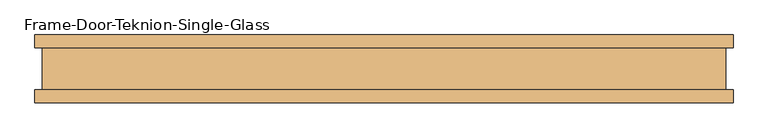
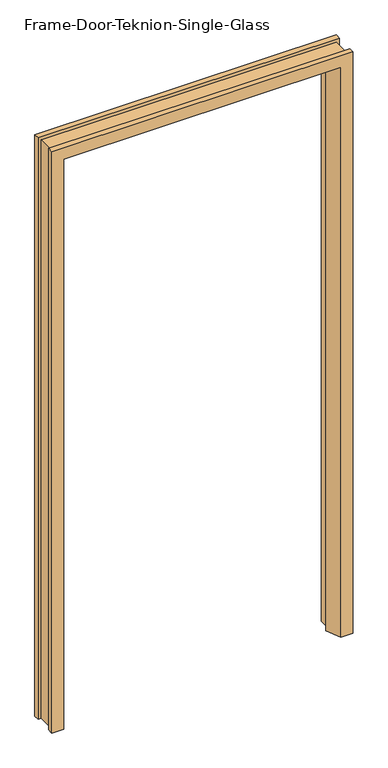
"""IFC4 building model written with IfcOpenShell, lengths in millimetres: door geometry, Frame-Door-Teknion-Single-Glass."""

from ifc_helpers import new_model, si_unit, origin, place, context, project, spatial, faceted_brep, source, transform, mapped, element, save


def frame_door_teknion_single_glass_bf3171e9(model_context):
    return source(origin(), model_context, "Body", "Brep", [
        faceted_brep([(-471.9858347, 50.8, 0.0), (-471.9858347, 0.7133435, 0.0), (-459.0634123, 0.7133435, 0.0), (-481.5105299, -50.8, 0.0), (-523.4208347, -50.8, 0.0), (-523.4208347, -31.5339997, 0.0), (-512.4152344, -31.5339997, 0.0), (-512.4152344, 31.5339997, 0.0), (-523.4208347, 31.5339997, 0.0), (-523.4208347, 50.8, 0.0), (-471.9858347, 50.8, 2082.165), (-471.9858347, 0.7133435, 2082.165), (471.9858347, 0.7133435, 2082.165), (471.9858347, 0.7133435, 0.0), (459.0634123, 0.7133435, 0.0), (459.0634123, 0.7133435, 2069.2425776), (-459.0634123, 0.7133435, 2069.2425776), (-481.5105299, -50.8, 2091.6896953), (481.5105299, -50.8, 2091.6896953), (481.5105299, -50.8, 0.0), (523.4208347, -50.8, 0.0), (523.4208347, -50.8, 2133.6), (-523.4208347, -50.8, 2133.6), (-523.4208347, -31.5339997, 2133.6), (523.4208347, -31.5339997, 2133.6), (523.4208347, -31.5339997, 0.0), (512.4152344, -31.5339997, 0.0), (512.4152344, -31.5339997, 2122.5943997), (-512.4152344, -31.5339997, 2122.5943997), (-512.4152344, 31.5339997, 2122.5943997), (512.4152344, 31.5339997, 2122.5943997), (512.4152344, 31.5339997, 0.0), (523.4208347, 31.5339997, 0.0), (523.4208347, 31.5339997, 2133.6), (-523.4208347, 31.5339997, 2133.6), (-523.4208347, 50.8, 2133.6), (523.4208347, 50.8, 2133.6), (523.4208347, 50.8, 0.0), (471.9858347, 50.8, 0.0), (471.9858347, 50.8, 2082.165)], [[[0, 1, 2, 3, 4, 5, 6, 7, 8, 9]], [[1, 0, 10, 11]], [[2, 1, 11, 12, 13, 14, 15, 16]], [[3, 2, 16, 17]], [[4, 3, 17, 18, 19, 20, 21, 22]], [[5, 4, 22, 23]], [[6, 5, 23, 24, 25, 26, 27, 28]], [[7, 6, 28, 29]], [[8, 7, 29, 30, 31, 32, 33, 34]], [[9, 8, 34, 35]], [[0, 9, 35, 36, 37, 38, 39, 10]], [[38, 37, 32, 31, 26, 25, 20, 19, 14, 13]], [[12, 39, 38, 13]], [[18, 15, 14, 19]], [[24, 21, 20, 25]], [[30, 27, 26, 31]], [[36, 33, 32, 37]], [[11, 10, 39, 12]], [[17, 16, 15, 18]], [[23, 22, 21, 24]], [[29, 28, 27, 30]], [[35, 34, 33, 36]]]),
    ])


if __name__ == "__main__":
    model = new_model("IFC4")
    model_context = context("Model", 3, world=origin())
    ifc_project = project(units=[si_unit("LENGTHUNIT", "METRE", prefix="MILLI")], contexts=[model_context])
    site = spatial("IfcSite", under=ifc_project)
    building = spatial("IfcBuilding", under=site)
    placement = place(None, origin())
    frame_door_teknion_single_glass_shape = frame_door_teknion_single_glass_bf3171e9(model_context)
    element("IfcDoor", 1, ObjectType="Frame-Door-Teknion-Single-Glass", at=placement, inside=building, context=model_context, shape_type="MappedRepresentation", body=[
        mapped(frame_door_teknion_single_glass_shape, transform((0.0, 0.0, 0.0), x_axis=(1.0, 0.0, 0.0), y_axis=(0.0, 1.0, 0.0), z_axis=(0.0, 0.0, 1.0))),
    ])
    save(model, "model.ifc")
